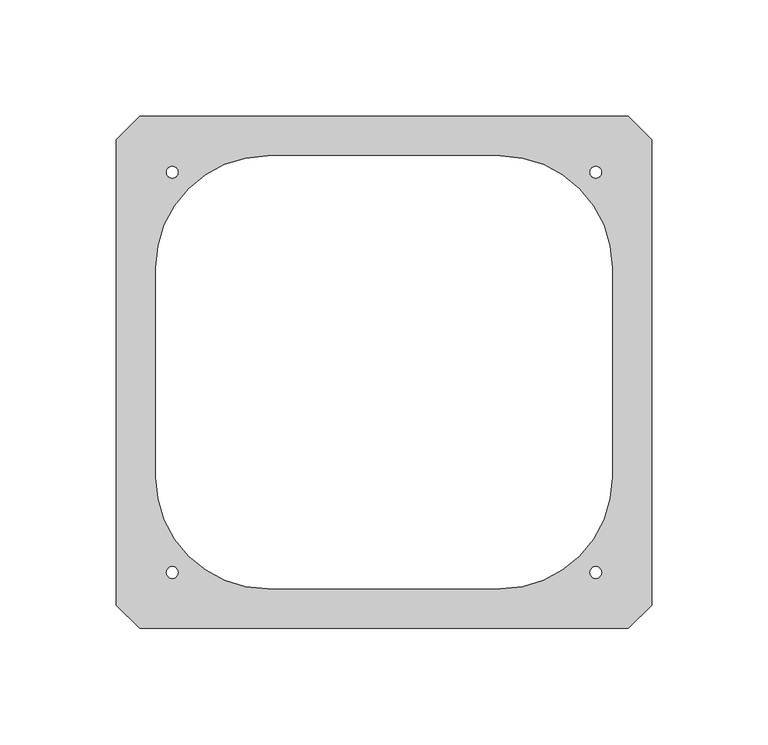
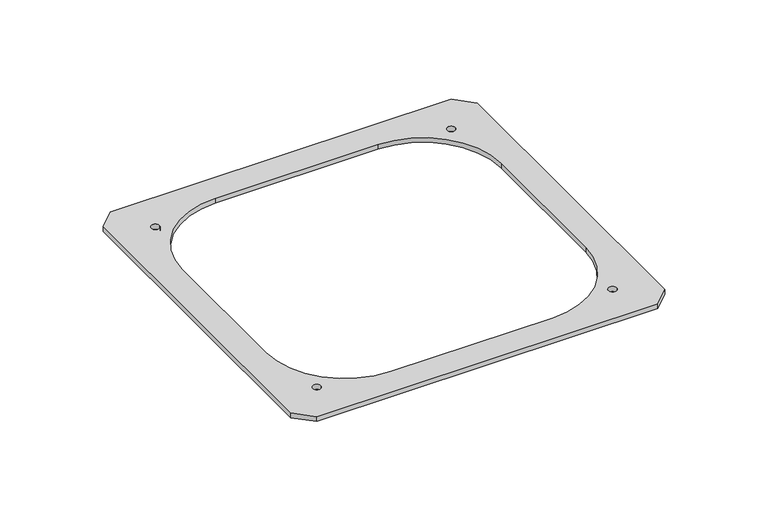
"""IFC4 building model written with IfcOpenShell, lengths in millimetres: proxy geometry."""

from ifc_helpers import new_model, si_unit, point, frame_2d, origin, origin_with_axes, place, context, project, spatial, polyline, circle_curve, trimmed, segment, composite_curve, outline, extrude, source, transform, mapped, element, save


def generic_models_c075cde1(model_context):
    return source(origin(), model_context, "Body", "SweptSolid", [
        extrude(outline(polyline([(115.0, -100.0), (105.0, -110.0), (-105.0, -110.0), (-115.0, -100.0), (-115.0, 100.0), (-105.0, 110.0), (105.0, 110.0), (115.0, 100.0), (115.0, -100.0)]), holes=[composite_curve([segment(trimmed(circle_curve(frame_2d((-91.0, 86.0)), 2.5), [point((-88.5, 86.0))], [point((-93.5, 86.0))], True, "CARTESIAN"), True, "CONTINUOUS"), segment(trimmed(circle_curve(frame_2d((-91.0, 86.0)), 2.5), [point((-93.5, 86.0))], [point((-88.5, 86.0))], True, "CARTESIAN"), True, "CONTINUOUS")], self_intersect=False), composite_curve([segment(trimmed(circle_curve(frame_2d((91.0, 86.0)), 2.5), [point((93.5, 86.0))], [point((88.5, 86.0))], True, "CARTESIAN"), True, "CONTINUOUS"), segment(trimmed(circle_curve(frame_2d((91.0, 86.0)), 2.5), [point((88.5, 86.0))], [point((93.5, 86.0))], True, "CARTESIAN"), True, "CONTINUOUS")], self_intersect=False), composite_curve([segment(trimmed(circle_curve(frame_2d((-91.0, -86.0)), 2.5), [point((-88.5, -86.0))], [point((-93.5, -86.0))], True, "CARTESIAN"), True, "CONTINUOUS"), segment(trimmed(circle_curve(frame_2d((-91.0, -86.0)), 2.5), [point((-93.5, -86.0))], [point((-88.5, -86.0))], True, "CARTESIAN"), True, "CONTINUOUS")], self_intersect=False), composite_curve([segment(trimmed(circle_curve(frame_2d((91.0, -86.0)), 2.5), [point((93.5, -86.0))], [point((88.5, -86.0))], True, "CARTESIAN"), True, "CONTINUOUS"), segment(trimmed(circle_curve(frame_2d((91.0, -86.0)), 2.5), [point((88.5, -86.0))], [point((93.5, -86.0))], True, "CARTESIAN"), True, "CONTINUOUS")], self_intersect=False), composite_curve([segment(trimmed(circle_curve(frame_2d((-50.0, 45.0)), 48.0), [point((-50.0, 93.0))], [point((-98.0, 45.0))], True, "CARTESIAN"), True, "CONTINUOUS"), segment(polyline([(-98.0, 45.0), (-98.0, -45.0)]), True, "CONTINUOUS"), segment(trimmed(circle_curve(frame_2d((-50.0, -45.0)), 48.0), [point((-98.0, -45.0))], [point((-50.0, -93.0))], True, "CARTESIAN"), True, "CONTINUOUS"), segment(polyline([(-50.0, -93.0), (50.0, -93.0)]), True, "CONTINUOUS"), segment(trimmed(circle_curve(frame_2d((50.0, -45.0)), 48.0), [point((50.0, -93.0))], [point((98.0, -45.0))], True, "CARTESIAN"), True, "CONTINUOUS"), segment(polyline([(98.0, -45.0), (98.0, 45.0)]), True, "CONTINUOUS"), segment(trimmed(circle_curve(frame_2d((50.0, 45.0)), 48.0), [point((98.0, 45.0))], [point((50.0, 93.0))], True, "CARTESIAN"), True, "CONTINUOUS"), segment(polyline([(50.0, 93.0), (-50.0, 93.0)]), True, "CONTINUOUS")], self_intersect=False)]), origin_with_axes(), (0.0, 0.0, 1.0), 3.0),
    ])


if __name__ == "__main__":
    model = new_model("IFC4")
    model_context = context("Model", 3, world=origin())
    ifc_project = project(units=[si_unit("LENGTHUNIT", "METRE", prefix="MILLI")], contexts=[model_context])
    site = spatial("IfcSite", under=ifc_project)
    building = spatial("IfcBuilding", under=site)
    placement = place(None, origin())
    generic_models_shape = generic_models_c075cde1(model_context)
    element("IfcBuildingElementProxy", 1, Name="Generic Models", at=placement, inside=building, context=model_context, shape_type="MappedRepresentation", body=[
        mapped(generic_models_shape, transform((0.0, 0.0, 0.0), x_axis=(1.0, 0.0, 0.0), y_axis=(0.0, 1.0, 0.0), z_axis=(0.0, 0.0, 1.0))),
    ])
    save(model, "model.ifc")
